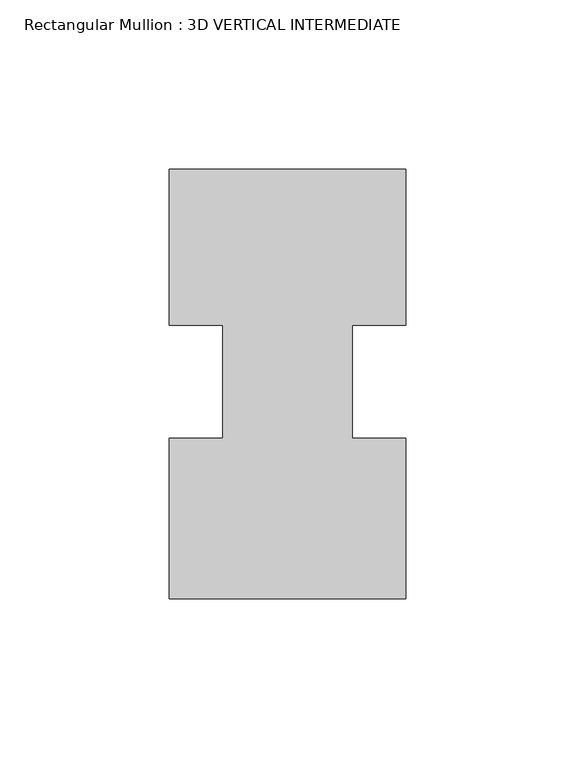
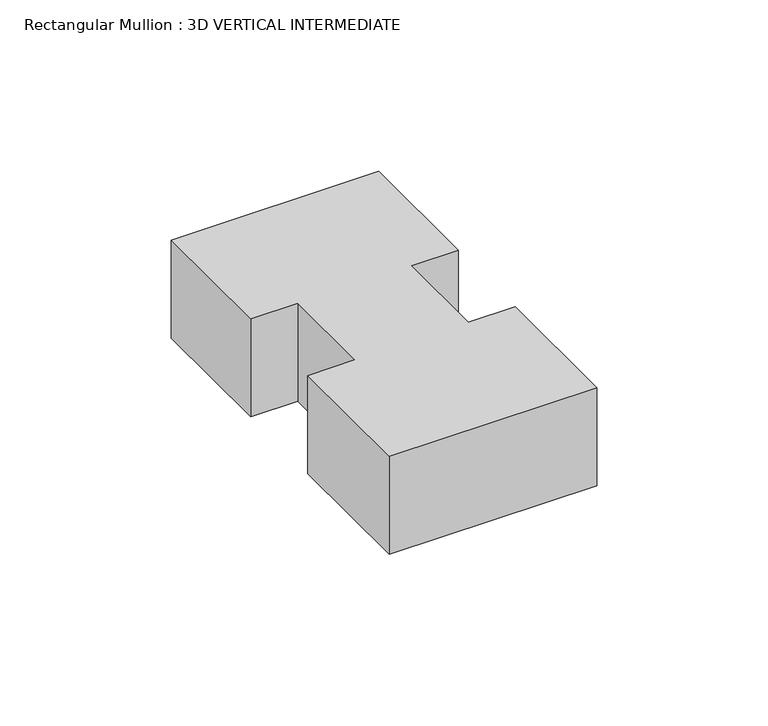
"""IFC4 building model written with IfcOpenShell, lengths in millimetres: member geometry, Rectangular Mullion : 3D VERTICAL INTERMEDIATE."""

from ifc_helpers import new_model, si_unit, frame, origin, place, context, project, spatial, polyline, outline, extrude, source, transform, mapped, element, save


def rectangular_mullion_3d_vertical_intermediate_6327b12b(model_context):
    return source(origin(), model_context, "Body", "SweptSolid", [
        extrude(outline(polyline([(35.0173164, 62.8615883), (35.0173164, 16.6786782), (19.1423164, 16.6786782), (19.1423164, -16.6786782), (35.0173157, -16.6786782), (35.0173157, -64.1384117), (-34.925, -64.1384117), (-34.925, -16.6786782), (-19.05, -16.6786782), (-19.05, 16.6786782), (-34.925, 16.6786782), (-34.925, 62.8615883), (35.0173164, 62.8615883)])), frame((0.0, 0.0, -34.925), z_axis=(0.0, 0.0, 1.0), x_axis=(1.0, 0.0, 0.0)), (0.0, 0.0, 1.0), 34.925),
    ])


if __name__ == "__main__":
    model = new_model("IFC4")
    model_context = context("Model", 3, world=origin())
    ifc_project = project(units=[si_unit("LENGTHUNIT", "METRE", prefix="MILLI")], contexts=[model_context])
    site = spatial("IfcSite", under=ifc_project)
    building = spatial("IfcBuilding", under=site)
    placement = place(None, origin())
    rectangular_mullion_3d_vertical_intermediate_shape = rectangular_mullion_3d_vertical_intermediate_6327b12b(model_context)
    element("IfcMember", 1, ObjectType="Rectangular Mullion : 3D VERTICAL INTERMEDIATE", at=placement, inside=building, context=model_context, shape_type="MappedRepresentation", body=[
        mapped(rectangular_mullion_3d_vertical_intermediate_shape, transform((0.0, 0.0, 0.0), x_axis=(1.0, 0.0, 0.0), y_axis=(0.0, 1.0, 0.0), z_axis=(0.0, 0.0, 1.0))),
    ])
    save(model, "model.ifc")
